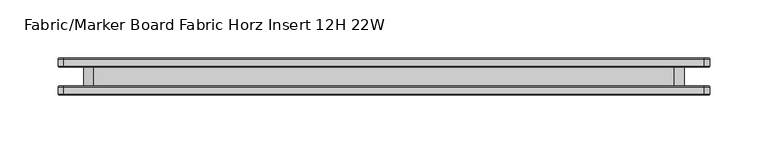
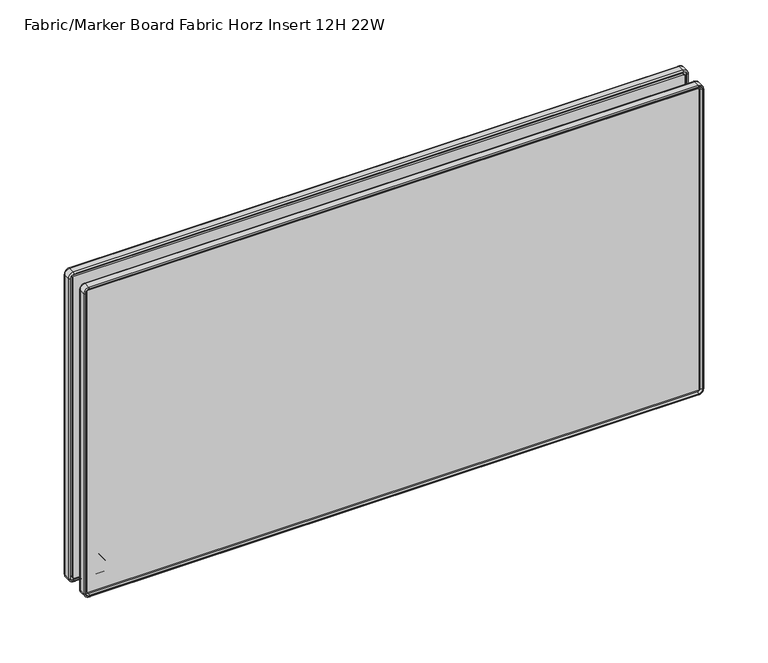
"""IFC4 building model written with IfcOpenShell, lengths in millimetres: furniture geometry, Fabric/Marker Board Fabric Horz Insert 12H 22W."""

from ifc_helpers import new_model, si_unit, point, frame, frame_2d, origin, place, context, project, spatial, polyline, circle_curve, ellipse_curve, trimmed, segment, composite_curve, outline, extrude, source, transform, mapped, element, save
from ifc_brep_helpers import plane_surface, cylinder_surface, revolved_surface, advanced_brep


def fabric_marker_board_fabric_horz_insert_12h_22w_8825d020(model_context):
    return source(origin(), model_context, "Body", "SolidModel", [
        extrude(outline(composite_curve([segment(trimmed(circle_curve(frame_2d((785.9258601, 60.6967824)), 14.2960031), [point((781.0834991, 47.2458625))], [point((772.4749402, 55.8544214))], False, "CARTESIAN"), True, "CONTINUOUS"), segment(polyline([(772.4749402, 55.8544214), (772.4749402, 553.7455786)]), True, "CONTINUOUS"), segment(trimmed(circle_curve(frame_2d((785.9258601, 548.9032176)), 14.2960031), [point((772.4749402, 553.7455786))], [point((780.5790258, 562.1616892))], False, "CARTESIAN"), True, "CONTINUOUS"), segment(polyline([(780.5790258, 562.1616892), (1019.5568063, 562.1616892)]), True, "CONTINUOUS"), segment(trimmed(circle_curve(frame_2d((1014.209972, 548.9032176)), 14.2960031), [point((1019.5568063, 562.1616892))], [point((1027.6608919, 553.7455786))], False, "CARTESIAN"), True, "CONTINUOUS"), segment(polyline([(1027.6608919, 553.7455786), (1027.6608919, 55.8544214)]), True, "CONTINUOUS"), segment(trimmed(circle_curve(frame_2d((1014.209972, 60.6967824)), 14.2960031), [point((1027.6608919, 55.8544214))], [point((1019.0523331, 47.2458625))], False, "CARTESIAN"), True, "CONTINUOUS"), segment(polyline([(1019.0523331, 47.2458625), (781.0834991, 47.2458625)]), True, "CONTINUOUS")], self_intersect=False)), frame((0.0, -7.9718968, 0.0), z_axis=(0.0, 1.0, 0.0), x_axis=(0.0, 0.0, 1.0)), (0.0, 0.0, 1.0), 15.9437935),
        extrude(outline(composite_curve([segment(trimmed(circle_curve(frame_2d((759.1475985, 29.8962491)), 0.8911416), [point((759.1475985, 29.0051075))], [point((758.256457, 29.8962491))], False, "CARTESIAN"), True, "CONTINUOUS"), segment(polyline([(758.256457, 29.8962491), (758.256457, 579.5091361)]), True, "CONTINUOUS"), segment(trimmed(circle_curve(frame_2d((759.1475985, 579.5091361)), 0.8911416), [point((758.256457, 579.5091361))], [point((759.1475985, 580.4002777))], False, "CARTESIAN"), True, "CONTINUOUS"), segment(polyline([(759.1475985, 580.4002777), (1045.010519, 580.4002777)]), True, "CONTINUOUS"), segment(trimmed(circle_curve(frame_2d((1045.010519, 579.5091361)), 0.8911416), [point((1045.010519, 580.4002777))], [point((1045.9016605, 579.5091361))], False, "CARTESIAN"), True, "CONTINUOUS"), segment(polyline([(1045.9016605, 579.5091361), (1045.9016605, 29.8962491)]), True, "CONTINUOUS"), segment(trimmed(circle_curve(frame_2d((1045.010519, 29.8962491)), 0.8911416), [point((1045.9016605, 29.8962491))], [point((1045.010519, 29.0051075))], False, "CARTESIAN"), True, "CONTINUOUS"), segment(polyline([(1045.010519, 29.0051075), (759.1475985, 29.0051075)]), True, "CONTINUOUS")], self_intersect=False)), frame((0.0, 7.9718968, 0.0), z_axis=(0.0, 1.0, 0.0), x_axis=(0.0, 0.0, 1.0)), (0.0, 0.0, 1.0), 6.1306313),
        extrude(outline(composite_curve([segment(polyline([(1045.010519, 29.0051075), (759.1475985, 29.0051075)]), True, "CONTINUOUS"), segment(trimmed(circle_curve(frame_2d((759.1475985, 29.8962491)), 0.8911416), [point((759.1475985, 29.0051075))], [point((758.256457, 29.8962491))], False, "CARTESIAN"), True, "CONTINUOUS"), segment(polyline([(758.256457, 29.8962491), (758.256457, 579.5091361)]), True, "CONTINUOUS"), segment(trimmed(circle_curve(frame_2d((759.1475985, 579.5091361)), 0.8911416), [point((758.256457, 579.5091361))], [point((759.1475985, 580.4002777))], False, "CARTESIAN"), True, "CONTINUOUS"), segment(polyline([(759.1475985, 580.4002777), (1045.010519, 580.4002777)]), True, "CONTINUOUS"), segment(trimmed(circle_curve(frame_2d((1045.010519, 579.5091361)), 0.8911416), [point((1045.010519, 580.4002777))], [point((1045.9016605, 579.5091361))], False, "CARTESIAN"), True, "CONTINUOUS"), segment(polyline([(1045.9016605, 579.5091361), (1045.9016605, 29.8962491)]), True, "CONTINUOUS"), segment(trimmed(circle_curve(frame_2d((1045.010519, 29.8962491)), 0.8911416), [point((1045.9016605, 29.8962491))], [point((1045.010519, 29.0051075))], False, "CARTESIAN"), True, "CONTINUOUS")], self_intersect=False)), frame((0.0, -14.102528, 0.0), z_axis=(0.0, 1.0, 0.0), x_axis=(0.0, 0.0, 1.0)), (0.0, 0.0, 1.0), 6.1306313),
        advanced_brep(
        [(582.9077917, -7.9718968, 759.1475985), (579.5091361, -7.9718968, 755.7489429), (579.5091361, -9.6721295, 755.7489429), (582.9077917, -9.6721295, 759.1475985), (584.0811361, -9.1452412, 759.1475985), (579.5091361, -9.1452412, 754.5755985), (584.0811361, -14.9826968, 759.1475985), (579.5091361, -14.9826968, 754.5755985), (583.2667038, -15.7971292, 759.1475985), (579.5091361, -15.7971292, 755.3900309), (580.4002777, -9.6721295, 759.1475985), (579.5091361, -9.6721295, 758.256457), (579.5091361, -14.102528, 758.256457), (580.4002777, -14.102528, 759.1475985), (582.9077917, -9.6721295, 1045.010519), (582.9077917, -7.9718968, 1045.010519), (584.0811361, -9.1452412, 1045.010519), (584.0811361, -14.9826968, 1045.010519), (583.2667038, -15.7971292, 1045.010519), (580.4002777, -14.102528, 1045.010519), (580.4002777, -9.6721295, 1045.010519), (579.5091361, -7.9718968, 1048.4091746), (579.5091361, -9.6721295, 1048.4091746), (579.5091361, -9.1452412, 1049.582519), (579.5091361, -14.9826968, 1049.582519), (579.5091361, -15.7971292, 1048.7680866), (579.5091361, -9.6721295, 1045.9016605), (579.5091361, -14.102528, 1045.9016605), (29.8962491, -9.6721295, 1048.4091746), (29.8962491, -7.9718968, 1048.4091746), (29.8962491, -9.1452412, 1049.582519), (29.8962491, -14.9826968, 1049.582519), (29.8962491, -15.7971292, 1048.7680866), (29.8962491, -14.102528, 1045.9016605), (29.8962491, -9.6721295, 1045.9016605), (26.4975935, -7.9718968, 1045.010519), (26.4975935, -9.6721295, 1045.010519), (25.3242491, -9.1452412, 1045.010519), (25.3242491, -14.9826968, 1045.010519), (26.1386815, -15.7971292, 1045.010519), (29.0051075, -9.6721295, 1045.010519), (29.0051075, -14.102528, 1045.010519), (26.4975935, -9.6721295, 759.1475985), (26.4975935, -7.9718968, 759.1475985), (25.3242491, -9.1452412, 759.1475985), (25.3242491, -14.9826968, 759.1475985), (26.1386815, -15.7971292, 759.1475985), (29.0051075, -14.102528, 759.1475985), (29.0051075, -9.6721295, 759.1475985), (29.8962491, -7.9718968, 755.7489429), (29.8962491, -9.6721295, 755.7489429), (29.8962491, -9.1452412, 754.5755985), (29.8962491, -14.9826968, 754.5755985), (29.8962491, -15.7971292, 755.3900309), (29.8962491, -9.6721295, 758.256457), (29.8962491, -14.102528, 758.256457), (579.5091361, -15.7971292, 756.2425504), (29.8962491, -15.7971292, 756.2425504), (26.991201, -15.7971292, 759.1475985), (26.991201, -15.7971292, 1045.010519), (29.8962491, -15.7971292, 1047.9155671), (579.5091361, -15.7971292, 1047.9155671), (582.4141842, -15.7971292, 1045.010519), (582.4141842, -15.7971292, 759.1475985), (581.7973998, -14.102528, 759.1475985), (579.5091361, -14.102528, 756.8593348), (581.7973998, -14.102528, 1045.010519), (579.5091361, -14.102528, 1047.2987827), (29.8962491, -14.102528, 1047.2987827), (27.6079854, -14.102528, 1045.010519), (27.6079854, -14.102528, 759.1475985), (29.8962491, -14.102528, 756.8593348)],
        [
            (0, 1, circle_curve(frame((579.5091361, -7.9718968, 759.1475985), z_axis=(0.0, 1.0, 0.0), x_axis=(0.0, 0.0, -1.0)), 3.3986556)),
            (1, 2),
            (2, 3, circle_curve(frame((579.5091361, -9.6721295, 759.1475985), z_axis=(0.0, -1.0, 0.0), x_axis=(0.0, 0.0, -1.0)), 3.3986556)),
            (3, 0),
            (4, 5, circle_curve(frame((579.5091361, -9.1452412, 759.1475985), z_axis=(0.0, 1.0, 0.0), x_axis=(0.0, 0.0, -1.0)), 4.572)),
            (5, 1, circle_curve(frame((579.5091361, -9.1452412, 755.7489429), z_axis=(1.0, 0.0, 0.0), x_axis=(0.0, 0.0, 1.0)), 1.1733444)),
            (0, 4, circle_curve(frame((582.9077917, -9.1452412, 759.1475985), z_axis=(0.0, 0.0, -1.0), x_axis=(-1.0, 0.0, 0.0)), 1.1733444)),
            (6, 7, circle_curve(frame((579.5091361, -14.9826968, 759.1475985), z_axis=(0.0, 1.0, 0.0), x_axis=(0.0, 0.0, -1.0)), 4.572)),
            (7, 5),
            (4, 6),
            (8, 9, circle_curve(frame((579.5091361, -15.7971292, 759.1475985), z_axis=(0.0, 1.0, 0.0), x_axis=(0.0, 0.0, -1.0)), 3.7575676)),
            (9, 7, circle_curve(frame((579.5091361, -14.9826968, 755.3900309), z_axis=(1.0, 0.0, 0.0), x_axis=(0.0, 0.0, 1.0)), 0.8144324)),
            (6, 8, circle_curve(frame((583.2667038, -14.9826968, 759.1475985), z_axis=(0.0, 0.0, -1.0), x_axis=(-1.0, 0.0, 0.0)), 0.8144324)),
            (10, 11, circle_curve(frame((579.5091361, -9.6721295, 759.1475985), z_axis=(0.0, 1.0, 0.0), x_axis=(0.0, 0.0, -1.0)), 0.8911416)),
            (11, 12),
            (12, 13, circle_curve(frame((579.5091361, -14.102528, 759.1475985), z_axis=(0.0, -1.0, 0.0), x_axis=(0.0, 0.0, -1.0)), 0.8911416)),
            (13, 10),
            (3, 14),
            (14, 15),
            (15, 0),
            (15, 16, circle_curve(frame((582.9077917, -9.1452412, 1045.010519), z_axis=(0.0, 0.0, -1.0), x_axis=(-1.0, 0.0, 0.0)), 1.1733444)),
            (16, 4),
            (16, 17),
            (17, 6),
            (17, 18, circle_curve(frame((583.2667038, -14.9826968, 1045.010519), z_axis=(0.0, 0.0, -1.0), x_axis=(-1.0, 0.0, 0.0)), 0.8144324)),
            (18, 8),
            (13, 19),
            (19, 20),
            (20, 10),
            (21, 15, circle_curve(frame((579.5091361, -7.9718968, 1045.010519), z_axis=(0.0, 1.0, 0.0), x_axis=(1.0, 0.0, 0.0)), 3.3986556)),
            (14, 22, circle_curve(frame((579.5091361, -9.6721295, 1045.010519), z_axis=(0.0, -1.0, 0.0), x_axis=(1.0, 0.0, 0.0)), 3.3986556)),
            (22, 21),
            (23, 16, circle_curve(frame((579.5091361, -9.1452412, 1045.010519), z_axis=(0.0, 1.0, 0.0), x_axis=(1.0, 0.0, 0.0)), 4.572)),
            (21, 23, circle_curve(frame((579.5091361, -9.1452412, 1048.4091746), z_axis=(1.0, 0.0, 0.0), x_axis=(0.0, 0.0, -1.0)), 1.1733444)),
            (24, 17, circle_curve(frame((579.5091361, -14.9826968, 1045.010519), z_axis=(0.0, 1.0, 0.0), x_axis=(1.0, 0.0, 0.0)), 4.572)),
            (23, 24),
            (25, 18, circle_curve(frame((579.5091361, -15.7971292, 1045.010519), z_axis=(0.0, 1.0, 0.0), x_axis=(1.0, 0.0, 0.0)), 3.7575676)),
            (24, 25, circle_curve(frame((579.5091361, -14.9826968, 1048.7680866), z_axis=(1.0, 0.0, 0.0), x_axis=(0.0, 0.0, -1.0)), 0.8144324)),
            (26, 20, circle_curve(frame((579.5091361, -9.6721295, 1045.010519), z_axis=(0.0, 1.0, 0.0), x_axis=(1.0, 0.0, 0.0)), 0.8911416)),
            (19, 27, circle_curve(frame((579.5091361, -14.102528, 1045.010519), z_axis=(0.0, -1.0, 0.0), x_axis=(1.0, 0.0, 0.0)), 0.8911416)),
            (27, 26),
            (22, 28),
            (28, 29),
            (29, 21),
            (29, 30, circle_curve(frame((29.8962491, -9.1452412, 1048.4091746), z_axis=(1.0, 0.0, 0.0), x_axis=(0.0, 0.0, -1.0)), 1.1733444)),
            (30, 23),
            (30, 31),
            (31, 24),
            (31, 32, circle_curve(frame((29.8962491, -14.9826968, 1048.7680866), z_axis=(1.0, 0.0, 0.0), x_axis=(0.0, 0.0, -1.0)), 0.8144324)),
            (32, 25),
            (27, 33),
            (33, 34),
            (34, 26),
            (35, 29, circle_curve(frame((29.8962491, -7.9718968, 1045.010519), z_axis=(0.0, 1.0, 0.0), x_axis=(0.0, 0.0, 1.0)), 3.3986556)),
            (28, 36, circle_curve(frame((29.8962491, -9.6721295, 1045.010519), z_axis=(0.0, -1.0, 0.0), x_axis=(0.0, 0.0, 1.0)), 3.3986556)),
            (36, 35),
            (37, 30, circle_curve(frame((29.8962491, -9.1452412, 1045.010519), z_axis=(0.0, 1.0, 0.0), x_axis=(0.0, 0.0, 1.0)), 4.572)),
            (35, 37, circle_curve(frame((26.4975935, -9.1452412, 1045.010519), z_axis=(0.0, 0.0, 1.0), x_axis=(1.0, 0.0, 0.0)), 1.1733444)),
            (38, 31, circle_curve(frame((29.8962491, -14.9826968, 1045.010519), z_axis=(0.0, 1.0, 0.0), x_axis=(0.0, 0.0, 1.0)), 4.572)),
            (37, 38),
            (39, 32, circle_curve(frame((29.8962491, -15.7971292, 1045.010519), z_axis=(0.0, 1.0, 0.0), x_axis=(0.0, 0.0, 1.0)), 3.7575676)),
            (38, 39, circle_curve(frame((26.1386815, -14.9826968, 1045.010519), z_axis=(0.0, 0.0, 1.0), x_axis=(1.0, 0.0, 0.0)), 0.8144324)),
            (40, 34, circle_curve(frame((29.8962491, -9.6721295, 1045.010519), z_axis=(0.0, 1.0, 0.0), x_axis=(0.0, 0.0, 1.0)), 0.8911416)),
            (33, 41, circle_curve(frame((29.8962491, -14.102528, 1045.010519), z_axis=(0.0, -1.0, 0.0), x_axis=(0.0, 0.0, 1.0)), 0.8911416)),
            (41, 40),
            (36, 42),
            (42, 43),
            (43, 35),
            (43, 44, circle_curve(frame((26.4975935, -9.1452412, 759.1475985), z_axis=(0.0, 0.0, 1.0), x_axis=(1.0, 0.0, 0.0)), 1.1733444)),
            (44, 37),
            (44, 45),
            (45, 38),
            (45, 46, circle_curve(frame((26.1386815, -14.9826968, 759.1475985), z_axis=(0.0, 0.0, 1.0), x_axis=(1.0, 0.0, 0.0)), 0.8144324)),
            (46, 39),
            (41, 47),
            (47, 48),
            (48, 40),
            (49, 43, circle_curve(frame((29.8962491, -7.9718968, 759.1475985), z_axis=(0.0, 1.0, 0.0), x_axis=(-1.0, 0.0, 0.0)), 3.3986556)),
            (42, 50, circle_curve(frame((29.8962491, -9.6721295, 759.1475985), z_axis=(0.0, -1.0, 0.0), x_axis=(-1.0, 0.0, 0.0)), 3.3986556)),
            (50, 49),
            (51, 44, circle_curve(frame((29.8962491, -9.1452412, 759.1475985), z_axis=(0.0, 1.0, 0.0), x_axis=(-1.0, 0.0, 0.0)), 4.572)),
            (49, 51, circle_curve(frame((29.8962491, -9.1452412, 755.7489429), z_axis=(-1.0, 0.0, 0.0), x_axis=(0.0, 0.0, 1.0)), 1.1733444)),
            (52, 45, circle_curve(frame((29.8962491, -14.9826968, 759.1475985), z_axis=(0.0, 1.0, 0.0), x_axis=(-1.0, 0.0, 0.0)), 4.572)),
            (51, 52),
            (53, 46, circle_curve(frame((29.8962491, -15.7971292, 759.1475985), z_axis=(0.0, 1.0, 0.0), x_axis=(-1.0, 0.0, 0.0)), 3.7575676)),
            (52, 53, circle_curve(frame((29.8962491, -14.9826968, 755.3900309), z_axis=(-1.0, 0.0, 0.0), x_axis=(0.0, 0.0, 1.0)), 0.8144324)),
            (54, 48, circle_curve(frame((29.8962491, -9.6721295, 759.1475985), z_axis=(0.0, 1.0, 0.0), x_axis=(-1.0, 0.0, 0.0)), 0.8911416)),
            (47, 55, circle_curve(frame((29.8962491, -14.102528, 759.1475985), z_axis=(0.0, -1.0, 0.0), x_axis=(-1.0, 0.0, 0.0)), 0.8911416)),
            (55, 54),
            (2, 50),
            (54, 11),
            (1, 49),
            (5, 51),
            (7, 52),
            (9, 53),
            (56, 57),
            (57, 58, circle_curve(frame((29.8962491, -15.7971292, 759.1475985), z_axis=(0.0, 1.0, 0.0), x_axis=(-1.0, 0.0, 0.0)), 2.9050481)),
            (58, 59),
            (59, 60, circle_curve(frame((29.8962491, -15.7971292, 1045.010519), z_axis=(0.0, 1.0, 0.0), x_axis=(0.0, 0.0, 1.0)), 2.9050481)),
            (60, 61),
            (61, 62, circle_curve(frame((579.5091361, -15.7971292, 1045.010519), z_axis=(0.0, 1.0, 0.0), x_axis=(1.0, 0.0, 0.0)), 2.9050481)),
            (62, 63),
            (63, 56, circle_curve(frame((579.5091361, -15.7971292, 759.1475985), z_axis=(0.0, 1.0, 0.0), x_axis=(0.0, 0.0, -1.0)), 2.9050481)),
            (55, 12),
            (64, 65, circle_curve(frame((579.5091361, -14.102528, 759.1475985), z_axis=(0.0, 1.0, 0.0), x_axis=(0.0, 0.0, -1.0)), 2.2882637)),
            (65, 56),
            (63, 64),
            (62, 66),
            (66, 64),
            (67, 66, circle_curve(frame((579.5091361, -14.102528, 1045.010519), z_axis=(0.0, 1.0, 0.0), x_axis=(1.0, 0.0, 0.0)), 2.2882637)),
            (61, 67),
            (60, 68),
            (68, 67),
            (69, 68, circle_curve(frame((29.8962491, -14.102528, 1045.010519), z_axis=(0.0, 1.0, 0.0), x_axis=(0.0, 0.0, 1.0)), 2.2882637)),
            (59, 69),
            (58, 70),
            (70, 69),
            (71, 70, circle_curve(frame((29.8962491, -14.102528, 759.1475985), z_axis=(0.0, 1.0, 0.0), x_axis=(-1.0, 0.0, 0.0)), 2.2882637)),
            (57, 71),
            (65, 71),
        ],
        [
            revolved_surface(polyline([(579.5091361, -9.6721295, 755.7489429), (579.5091361, -7.9718968, 755.7489429)]), (579.5091361, 0.0, 759.1475985), (0.0, -1.0, 0.0)),
            revolved_surface(trimmed(ellipse_curve(frame((579.5091361, -9.1452412, 755.7489429), z_axis=(-1.0, 0.0, 0.0), x_axis=(0.0, 0.0, 1.0)), 1.1733444, 1.1733444), [point((579.5091361, -7.9718968, 755.7489429))], [point((579.5091361, -9.1452412, 754.5755985))], True, "CARTESIAN"), (579.5091361, 0.0, 759.1475985), (0.0, -1.0, 0.0)),
            cylinder_surface(frame((579.5091361, 0.0, 759.1475985), z_axis=(0.0, -1.0, 0.0), x_axis=(0.0, 0.0, -1.0)), 4.572),
            revolved_surface(trimmed(ellipse_curve(frame((579.5091361, -14.9826968, 755.3900309), z_axis=(-1.0, 0.0, 0.0), x_axis=(0.0, 0.0, 1.0)), 0.8144324, 0.8144324), [point((579.5091361, -14.9826968, 754.5755985))], [point((579.5091361, -15.7971292, 755.3900309))], True, "CARTESIAN"), (579.5091361, 0.0, 759.1475985), (0.0, -1.0, 0.0)),
            revolved_surface(polyline([(579.5091361, -14.102528, 758.2564569), (579.5091361, -9.6721295, 758.2564569)]), (579.5091361, 0.0, 759.1475985), (0.0, -1.0, 0.0)),
            plane_surface(frame((582.9077917, -9.6721295, 759.1475985), z_axis=(-1.0, 0.0, 0.0), x_axis=(0.0, 0.0, 1.0))),
            cylinder_surface(frame((582.9077917, -9.1452412, 759.1475985), z_axis=(0.0, 0.0, -1.0), x_axis=(-1.0, 0.0, 0.0)), 1.1733444),
            plane_surface(frame((584.0811361, -9.1452412, 759.1475985), z_axis=(1.0, 0.0, 0.0), x_axis=(0.0, 0.0, 1.0))),
            cylinder_surface(frame((583.2667038, -14.9826968, 759.1475985), z_axis=(0.0, 0.0, -1.0), x_axis=(-1.0, 0.0, 0.0)), 0.8144324),
            plane_surface(frame((580.4002777, -14.102528, 759.1475985), z_axis=(-1.0, 0.0, 0.0), x_axis=(0.0, 0.0, 1.0))),
            revolved_surface(polyline([(582.9077917, -9.6721295, 1045.010519), (582.9077917, -7.9718968, 1045.010519)]), (579.5091361, 0.0, 1045.010519), (0.0, -1.0, 0.0)),
            revolved_surface(trimmed(ellipse_curve(frame((582.9077917, -9.1452412, 1045.010519), z_axis=(0.0, 0.0, -1.0), x_axis=(-1.0, 0.0, 0.0)), 1.1733444, 1.1733444), [point((582.9077917, -7.9718968, 1045.010519))], [point((584.0811361, -9.1452412, 1045.010519))], True, "CARTESIAN"), (579.5091361, 0.0, 1045.010519), (0.0, -1.0, 0.0)),
            cylinder_surface(frame((579.5091361, 0.0, 1045.010519), z_axis=(0.0, -1.0, 0.0), x_axis=(1.0, 0.0, 0.0)), 4.572),
            revolved_surface(trimmed(ellipse_curve(frame((583.2667038, -14.9826968, 1045.010519), z_axis=(0.0, 0.0, -1.0), x_axis=(-1.0, 0.0, 0.0)), 0.8144324, 0.8144324), [point((584.0811361, -14.9826968, 1045.010519))], [point((583.2667038, -15.7971292, 1045.010519))], True, "CARTESIAN"), (579.5091361, 0.0, 1045.010519), (0.0, -1.0, 0.0)),
            revolved_surface(polyline([(580.4002777, -14.102528, 1045.010519), (580.4002777, -9.6721295, 1045.010519)]), (579.5091361, 0.0, 1045.010519), (0.0, -1.0, 0.0)),
            plane_surface(frame((579.5091361, -9.6721295, 1048.4091746), z_axis=(0.0, 0.0, -1.0), x_axis=(-1.0, 0.0, 0.0))),
            cylinder_surface(frame((579.5091361, -9.1452412, 1048.4091746), z_axis=(1.0, 0.0, 0.0), x_axis=(0.0, 0.0, -1.0)), 1.1733444),
            plane_surface(frame((579.5091361, -9.1452412, 1049.582519), z_axis=(0.0, 0.0, 1.0), x_axis=(-1.0, 0.0, 0.0))),
            cylinder_surface(frame((579.5091361, -14.9826968, 1048.7680866), z_axis=(1.0, 0.0, 0.0), x_axis=(0.0, 0.0, -1.0)), 0.8144324),
            plane_surface(frame((579.5091361, -14.102528, 1045.9016605), z_axis=(0.0, 0.0, -1.0), x_axis=(-1.0, 0.0, 0.0))),
            revolved_surface(polyline([(29.8962491, -9.6721295, 1048.4091746), (29.8962491, -7.9718968, 1048.4091746)]), (29.8962491, 0.0, 1045.010519), (0.0, -1.0, 0.0)),
            revolved_surface(trimmed(ellipse_curve(frame((29.8962491, -9.1452412, 1048.4091746), z_axis=(1.0, 0.0, 0.0), x_axis=(0.0, 0.0, -1.0)), 1.1733444, 1.1733444), [point((29.8962491, -7.9718968, 1048.4091746))], [point((29.8962491, -9.1452412, 1049.582519))], True, "CARTESIAN"), (29.8962491, 0.0, 1045.010519), (0.0, -1.0, 0.0)),
            cylinder_surface(frame((29.8962491, 0.0, 1045.010519), z_axis=(0.0, -1.0, 0.0), x_axis=(0.0, 0.0, 1.0)), 4.572),
            revolved_surface(trimmed(ellipse_curve(frame((29.8962491, -14.9826968, 1048.7680866), z_axis=(1.0, 0.0, 0.0), x_axis=(0.0, 0.0, -1.0)), 0.8144324, 0.8144324), [point((29.8962491, -14.9826968, 1049.582519))], [point((29.8962491, -15.7971292, 1048.7680866))], True, "CARTESIAN"), (29.8962491, 0.0, 1045.010519), (0.0, -1.0, 0.0)),
            revolved_surface(polyline([(29.8962491, -14.102528, 1045.9016606), (29.8962491, -9.6721295, 1045.9016606)]), (29.8962491, 0.0, 1045.010519), (0.0, -1.0, 0.0)),
            plane_surface(frame((26.4975935, -9.6721295, 1045.010519), z_axis=(1.0, 0.0, 0.0), x_axis=(0.0, 0.0, -1.0))),
            cylinder_surface(frame((26.4975935, -9.1452412, 1045.010519), z_axis=(0.0, 0.0, 1.0), x_axis=(1.0, 0.0, 0.0)), 1.1733444),
            plane_surface(frame((25.3242491, -9.1452412, 1045.010519), z_axis=(-1.0, 0.0, 0.0), x_axis=(0.0, 0.0, -1.0))),
            cylinder_surface(frame((26.1386815, -14.9826968, 1045.010519), z_axis=(0.0, 0.0, 1.0), x_axis=(1.0, 0.0, 0.0)), 0.8144324),
            plane_surface(frame((29.0051075, -14.102528, 1045.010519), z_axis=(1.0, 0.0, 0.0), x_axis=(0.0, 0.0, -1.0))),
            revolved_surface(polyline([(26.497593499999997, -9.6721295, 759.1475985), (26.497593499999997, -7.9718968, 759.1475985)]), (29.8962491, 0.0, 759.1475985), (0.0, -1.0, 0.0)),
            revolved_surface(trimmed(ellipse_curve(frame((26.4975935, -9.1452412, 759.1475985), z_axis=(0.0, 0.0, 1.0), x_axis=(1.0, 0.0, 0.0)), 1.1733444, 1.1733444), [point((26.4975935, -7.9718968, 759.1475985))], [point((25.3242491, -9.1452412, 759.1475985))], True, "CARTESIAN"), (29.8962491, 0.0, 759.1475985), (0.0, -1.0, 0.0)),
            cylinder_surface(frame((29.8962491, 0.0, 759.1475985), z_axis=(0.0, -1.0, 0.0), x_axis=(-1.0, 0.0, 0.0)), 4.572),
            revolved_surface(trimmed(ellipse_curve(frame((26.1386815, -14.9826968, 759.1475985), z_axis=(0.0, 0.0, 1.0), x_axis=(1.0, 0.0, 0.0)), 0.8144324, 0.8144324), [point((25.3242491, -14.9826968, 759.1475985))], [point((26.1386815, -15.7971292, 759.1475985))], True, "CARTESIAN"), (29.8962491, 0.0, 759.1475985), (0.0, -1.0, 0.0)),
            revolved_surface(polyline([(29.005107499999998, -14.102528, 759.1475985), (29.005107499999998, -9.6721295, 759.1475985)]), (29.8962491, 0.0, 759.1475985), (0.0, -1.0, 0.0)),
            plane_surface(frame((29.8962491, -9.6721295, 758.256457), z_axis=(0.0, 1.0, 0.0), x_axis=(1.0, 0.0, 0.0))),
            plane_surface(frame((29.8962491, -9.6721295, 755.7489429), z_axis=(0.0, 0.0, 1.0), x_axis=(1.0, 0.0, 0.0))),
            cylinder_surface(frame((29.8962491, -9.1452412, 755.7489429), z_axis=(-1.0, 0.0, 0.0), x_axis=(0.0, 0.0, 1.0)), 1.1733444),
            plane_surface(frame((29.8962491, -9.1452412, 754.5755985), z_axis=(0.0, 0.0, -1.0), x_axis=(1.0, 0.0, 0.0))),
            cylinder_surface(frame((29.8962491, -14.9826968, 755.3900309), z_axis=(-1.0, 0.0, 0.0), x_axis=(0.0, 0.0, 1.0)), 0.8144324),
            plane_surface(frame((29.8962491, -15.7971292, 755.3900309), z_axis=(0.0, -1.0, 0.0), x_axis=(1.0, 0.0, 0.0))),
            plane_surface(frame((29.8962491, -14.102528, 758.256457), z_axis=(0.0, 0.0, 1.0), x_axis=(1.0, 0.0, 0.0))),
            revolved_surface(polyline([(579.5091361, -15.7971292, 756.2425504), (579.5091361, -14.102528, 756.8593348)]), (579.5091361, 0.0, 759.1475985), (0.0, -1.0, 0.0)),
            plane_surface(frame((582.4141842, -15.7971292, 759.1475985), z_axis=(-0.9396926207859183, -0.34202014332564146, 0.0), x_axis=(0.0, 0.0, 1.0))),
            revolved_surface(polyline([(582.4141842, -15.7971292, 1045.010519), (581.7973998, -14.102528, 1045.010519)]), (579.5091361, 0.0, 1045.010519), (0.0, -1.0, 0.0)),
            plane_surface(frame((579.5091361, -15.7971292, 1047.9155671), z_axis=(0.0, -0.34202014332564146, -0.9396926207859183), x_axis=(-1.0, 0.0, 0.0))),
            revolved_surface(polyline([(29.8962491, -15.7971292, 1047.9155671), (29.8962491, -14.102528, 1047.2987827)]), (29.8962491, 0.0, 1045.010519), (0.0, -1.0, 0.0)),
            plane_surface(frame((26.991201, -15.7971292, 1045.010519), z_axis=(0.9396926207859183, -0.34202014332564146, 0.0), x_axis=(0.0, 0.0, -1.0))),
            revolved_surface(polyline([(26.991201, -15.7971292, 759.1475985), (27.6079854, -14.102528, 759.1475985)]), (29.8962491, 0.0, 759.1475985), (0.0, -1.0, 0.0)),
            plane_surface(frame((29.8962491, -15.7971292, 756.2425504), z_axis=(0.0, -0.34202014332564146, 0.9396926207859183), x_axis=(1.0, 0.0, 0.0))),
            plane_surface(frame((29.8962491, -14.102528, 756.8593348), z_axis=(0.0, -1.0, 0.0), x_axis=(1.0, 0.0, 0.0))),
        ],
        [
            (0, [[1, 2, 3, 4]]),
            (1, [[5, 6, -1, 7]]),
            (2, [[8, 9, -5, 10]]),
            (3, [[11, 12, -8, 13]]),
            (4, [[14, 15, 16, 17]]),
            (5, [[-4, 18, 19, 20]]),
            (6, [[-7, -20, 21, 22]]),
            (7, [[-10, -22, 23, 24]]),
            (8, [[-13, -24, 25, 26]]),
            (9, [[-17, 27, 28, 29]]),
            (10, [[30, -19, 31, 32]]),
            (11, [[33, -21, -30, 34]]),
            (12, [[35, -23, -33, 36]]),
            (13, [[37, -25, -35, 38]]),
            (14, [[39, -28, 40, 41]]),
            (15, [[-32, 42, 43, 44]]),
            (16, [[-34, -44, 45, 46]]),
            (17, [[-36, -46, 47, 48]]),
            (18, [[-38, -48, 49, 50]]),
            (19, [[-41, 51, 52, 53]]),
            (20, [[54, -43, 55, 56]]),
            (21, [[57, -45, -54, 58]]),
            (22, [[59, -47, -57, 60]]),
            (23, [[61, -49, -59, 62]]),
            (24, [[63, -52, 64, 65]]),
            (25, [[-56, 66, 67, 68]]),
            (26, [[-58, -68, 69, 70]]),
            (27, [[-60, -70, 71, 72]]),
            (28, [[-62, -72, 73, 74]]),
            (29, [[-65, 75, 76, 77]]),
            (30, [[78, -67, 79, 80]]),
            (31, [[81, -69, -78, 82]]),
            (32, [[83, -71, -81, 84]]),
            (33, [[85, -73, -83, 86]]),
            (34, [[87, -76, 88, 89]]),
            (35, [[90, -79, -66, -55, -42, -31, -18, -3], [-77, -87, 91, -14, -29, -39, -53, -63]]),
            (36, [[-80, -90, -2, 92]]),
            (37, [[-82, -92, -6, 93]]),
            (38, [[-84, -93, -9, 94]]),
            (39, [[-86, -94, -12, 95]]),
            (40, [[-74, -85, -95, -11, -26, -37, -50, -61], [96, 97, 98, 99, 100, 101, 102, 103]]),
            (41, [[-89, 104, -15, -91]]),
            (42, [[105, 106, -103, 107]]),
            (43, [[-107, -102, 108, 109]]),
            (44, [[110, -108, -101, 111]]),
            (45, [[-111, -100, 112, 113]]),
            (46, [[114, -112, -99, 115]]),
            (47, [[-115, -98, 116, 117]]),
            (48, [[118, -116, -97, 119]]),
            (49, [[-119, -96, -106, 120]]),
            (50, [[-117, -118, -120, -105, -109, -110, -113, -114], [-104, -88, -75, -64, -51, -40, -27, -16]]),
        ],
    ),
        advanced_brep(
        [(580.4002777, 14.102528, 759.1475985), (579.5091361, 14.102528, 758.256457), (579.5091361, 9.6721295, 758.256457), (580.4002777, 9.6721295, 759.1475985), (582.4141842, 15.7971292, 759.1475985), (579.5091361, 15.7971292, 756.2425504), (579.5091361, 14.102528, 756.8593348), (581.7973998, 14.102528, 759.1475985), (584.0811361, 14.9826968, 759.1475985), (579.5091361, 14.9826968, 754.5755985), (579.5091361, 15.7971292, 755.3900309), (583.2667038, 15.7971292, 759.1475985), (584.0811361, 9.1452412, 759.1475985), (579.5091361, 9.1452412, 754.5755985), (582.9077917, 7.9718968, 759.1475985), (579.5091361, 7.9718968, 755.7489429), (582.9077917, 9.6721295, 759.1475985), (579.5091361, 9.6721295, 755.7489429), (580.4002777, 9.6721295, 1045.010519), (580.4002777, 14.102528, 1045.010519), (581.7973998, 14.102528, 1045.010519), (582.4141842, 15.7971292, 1045.010519), (583.2667038, 15.7971292, 1045.010519), (584.0811361, 14.9826968, 1045.010519), (584.0811361, 9.1452412, 1045.010519), (582.9077917, 7.9718968, 1045.010519), (582.9077917, 9.6721295, 1045.010519), (579.5091361, 14.102528, 1045.9016605), (579.5091361, 9.6721295, 1045.9016605), (579.5091361, 15.7971292, 1047.9155671), (579.5091361, 14.102528, 1047.2987827), (579.5091361, 14.9826968, 1049.582519), (579.5091361, 15.7971292, 1048.7680866), (579.5091361, 9.1452412, 1049.582519), (579.5091361, 7.9718968, 1048.4091746), (579.5091361, 9.6721295, 1048.4091746), (29.8962491, 9.6721295, 1045.9016605), (29.8962491, 14.102528, 1045.9016605), (29.8962491, 14.102528, 1047.2987827), (29.8962491, 15.7971292, 1047.9155671), (29.8962491, 15.7971292, 1048.7680866), (29.8962491, 14.9826968, 1049.582519), (29.8962491, 9.1452412, 1049.582519), (29.8962491, 7.9718968, 1048.4091746), (29.8962491, 9.6721295, 1048.4091746), (29.0051075, 14.102528, 1045.010519), (29.0051075, 9.6721295, 1045.010519), (26.991201, 15.7971292, 1045.010519), (27.6079854, 14.102528, 1045.010519), (25.3242491, 14.9826968, 1045.010519), (26.1386815, 15.7971292, 1045.010519), (25.3242491, 9.1452412, 1045.010519), (26.4975935, 7.9718968, 1045.010519), (26.4975935, 9.6721295, 1045.010519), (29.0051075, 9.6721295, 759.1475985), (29.0051075, 14.102528, 759.1475985), (27.6079854, 14.102528, 759.1475985), (26.991201, 15.7971292, 759.1475985), (26.1386815, 15.7971292, 759.1475985), (25.3242491, 14.9826968, 759.1475985), (25.3242491, 9.1452412, 759.1475985), (26.4975935, 7.9718968, 759.1475985), (26.4975935, 9.6721295, 759.1475985), (29.8962491, 14.102528, 758.256457), (29.8962491, 9.6721295, 758.256457), (29.8962491, 15.7971292, 756.2425504), (29.8962491, 14.102528, 756.8593348), (29.8962491, 14.9826968, 754.5755985), (29.8962491, 15.7971292, 755.3900309), (29.8962491, 9.1452412, 754.5755985), (29.8962491, 7.9718968, 755.7489429), (29.8962491, 9.6721295, 755.7489429)],
        [
            (0, 1, circle_curve(frame((579.5091361, 14.102528, 759.1475985), z_axis=(0.0, 1.0, 0.0), x_axis=(0.0, 0.0, -1.0)), 0.8911416)),
            (1, 2),
            (2, 3, circle_curve(frame((579.5091361, 9.6721295, 759.1475985), z_axis=(0.0, -1.0, 0.0), x_axis=(0.0, 0.0, -1.0)), 0.8911416)),
            (3, 0),
            (4, 5, circle_curve(frame((579.5091361, 15.7971292, 759.1475985), z_axis=(0.0, 1.0, 0.0), x_axis=(0.0, 0.0, -1.0)), 2.9050481)),
            (5, 6),
            (6, 7, circle_curve(frame((579.5091361, 14.102528, 759.1475985), z_axis=(0.0, -1.0, 0.0), x_axis=(0.0, 0.0, -1.0)), 2.2882637)),
            (7, 4),
            (8, 9, circle_curve(frame((579.5091361, 14.9826968, 759.1475985), z_axis=(0.0, 1.0, 0.0), x_axis=(0.0, 0.0, -1.0)), 4.572)),
            (9, 10, circle_curve(frame((579.5091361, 14.9826968, 755.3900309), z_axis=(1.0, 0.0, 0.0), x_axis=(0.0, 0.0, 1.0)), 0.8144324)),
            (10, 11, circle_curve(frame((579.5091361, 15.7971292, 759.1475985), z_axis=(0.0, -1.0, 0.0), x_axis=(0.0, 0.0, -1.0)), 3.7575676)),
            (11, 8, circle_curve(frame((583.2667038, 14.9826968, 759.1475985), z_axis=(0.0, 0.0, -1.0), x_axis=(-1.0, 0.0, 0.0)), 0.8144324)),
            (12, 13, circle_curve(frame((579.5091361, 9.1452412, 759.1475985), z_axis=(0.0, 1.0, 0.0), x_axis=(0.0, 0.0, -1.0)), 4.572)),
            (13, 9),
            (8, 12),
            (14, 15, circle_curve(frame((579.5091361, 7.9718968, 759.1475985), z_axis=(0.0, 1.0, 0.0), x_axis=(0.0, 0.0, -1.0)), 3.3986556)),
            (15, 13, circle_curve(frame((579.5091361, 9.1452412, 755.7489429), z_axis=(1.0, 0.0, 0.0), x_axis=(0.0, 0.0, 1.0)), 1.1733444)),
            (12, 14, circle_curve(frame((582.9077917, 9.1452412, 759.1475985), z_axis=(0.0, 0.0, -1.0), x_axis=(-1.0, 0.0, 0.0)), 1.1733444)),
            (16, 17, circle_curve(frame((579.5091361, 9.6721295, 759.1475985), z_axis=(0.0, 1.0, 0.0), x_axis=(0.0, 0.0, -1.0)), 3.3986556)),
            (17, 15),
            (14, 16),
            (3, 18),
            (18, 19),
            (19, 0),
            (7, 20),
            (20, 21),
            (21, 4),
            (11, 22),
            (22, 23, circle_curve(frame((583.2667038, 14.9826968, 1045.010519), z_axis=(0.0, 0.0, -1.0), x_axis=(-1.0, 0.0, 0.0)), 0.8144324)),
            (23, 8),
            (23, 24),
            (24, 12),
            (24, 25, circle_curve(frame((582.9077917, 9.1452412, 1045.010519), z_axis=(0.0, 0.0, -1.0), x_axis=(-1.0, 0.0, 0.0)), 1.1733444)),
            (25, 14),
            (25, 26),
            (26, 16),
            (27, 19, circle_curve(frame((579.5091361, 14.102528, 1045.010519), z_axis=(0.0, 1.0, 0.0), x_axis=(1.0, 0.0, 0.0)), 0.8911416)),
            (18, 28, circle_curve(frame((579.5091361, 9.6721295, 1045.010519), z_axis=(0.0, -1.0, 0.0), x_axis=(1.0, 0.0, 0.0)), 0.8911416)),
            (28, 27),
            (29, 21, circle_curve(frame((579.5091361, 15.7971292, 1045.010519), z_axis=(0.0, 1.0, 0.0), x_axis=(1.0, 0.0, 0.0)), 2.9050481)),
            (20, 30, circle_curve(frame((579.5091361, 14.102528, 1045.010519), z_axis=(0.0, -1.0, 0.0), x_axis=(1.0, 0.0, 0.0)), 2.2882637)),
            (30, 29),
            (31, 23, circle_curve(frame((579.5091361, 14.9826968, 1045.010519), z_axis=(0.0, 1.0, 0.0), x_axis=(1.0, 0.0, 0.0)), 4.572)),
            (22, 32, circle_curve(frame((579.5091361, 15.7971292, 1045.010519), z_axis=(0.0, -1.0, 0.0), x_axis=(1.0, 0.0, 0.0)), 3.7575676)),
            (32, 31, circle_curve(frame((579.5091361, 14.9826968, 1048.7680866), z_axis=(1.0, 0.0, 0.0), x_axis=(0.0, 0.0, -1.0)), 0.8144324)),
            (33, 24, circle_curve(frame((579.5091361, 9.1452412, 1045.010519), z_axis=(0.0, 1.0, 0.0), x_axis=(1.0, 0.0, 0.0)), 4.572)),
            (31, 33),
            (34, 25, circle_curve(frame((579.5091361, 7.9718968, 1045.010519), z_axis=(0.0, 1.0, 0.0), x_axis=(1.0, 0.0, 0.0)), 3.3986556)),
            (33, 34, circle_curve(frame((579.5091361, 9.1452412, 1048.4091746), z_axis=(1.0, 0.0, 0.0), x_axis=(0.0, 0.0, -1.0)), 1.1733444)),
            (35, 26, circle_curve(frame((579.5091361, 9.6721295, 1045.010519), z_axis=(0.0, 1.0, 0.0), x_axis=(1.0, 0.0, 0.0)), 3.3986556)),
            (34, 35),
            (28, 36),
            (36, 37),
            (37, 27),
            (30, 38),
            (38, 39),
            (39, 29),
            (32, 40),
            (40, 41, circle_curve(frame((29.8962491, 14.9826968, 1048.7680866), z_axis=(1.0, 0.0, 0.0), x_axis=(0.0, 0.0, -1.0)), 0.8144324)),
            (41, 31),
            (41, 42),
            (42, 33),
            (42, 43, circle_curve(frame((29.8962491, 9.1452412, 1048.4091746), z_axis=(1.0, 0.0, 0.0), x_axis=(0.0, 0.0, -1.0)), 1.1733444)),
            (43, 34),
            (43, 44),
            (44, 35),
            (45, 37, circle_curve(frame((29.8962491, 14.102528, 1045.010519), z_axis=(0.0, 1.0, 0.0), x_axis=(0.0, 0.0, 1.0)), 0.8911416)),
            (36, 46, circle_curve(frame((29.8962491, 9.6721295, 1045.010519), z_axis=(0.0, -1.0, 0.0), x_axis=(0.0, 0.0, 1.0)), 0.8911416)),
            (46, 45),
            (47, 39, circle_curve(frame((29.8962491, 15.7971292, 1045.010519), z_axis=(0.0, 1.0, 0.0), x_axis=(0.0, 0.0, 1.0)), 2.9050481)),
            (38, 48, circle_curve(frame((29.8962491, 14.102528, 1045.010519), z_axis=(0.0, -1.0, 0.0), x_axis=(0.0, 0.0, 1.0)), 2.2882637)),
            (48, 47),
            (49, 41, circle_curve(frame((29.8962491, 14.9826968, 1045.010519), z_axis=(0.0, 1.0, 0.0), x_axis=(0.0, 0.0, 1.0)), 4.572)),
            (40, 50, circle_curve(frame((29.8962491, 15.7971292, 1045.010519), z_axis=(0.0, -1.0, 0.0), x_axis=(0.0, 0.0, 1.0)), 3.7575676)),
            (50, 49, circle_curve(frame((26.1386815, 14.9826968, 1045.010519), z_axis=(0.0, 0.0, 1.0), x_axis=(1.0, 0.0, 0.0)), 0.8144324)),
            (51, 42, circle_curve(frame((29.8962491, 9.1452412, 1045.010519), z_axis=(0.0, 1.0, 0.0), x_axis=(0.0, 0.0, 1.0)), 4.572)),
            (49, 51),
            (52, 43, circle_curve(frame((29.8962491, 7.9718968, 1045.010519), z_axis=(0.0, 1.0, 0.0), x_axis=(0.0, 0.0, 1.0)), 3.3986556)),
            (51, 52, circle_curve(frame((26.4975935, 9.1452412, 1045.010519), z_axis=(0.0, 0.0, 1.0), x_axis=(1.0, 0.0, 0.0)), 1.1733444)),
            (53, 44, circle_curve(frame((29.8962491, 9.6721295, 1045.010519), z_axis=(0.0, 1.0, 0.0), x_axis=(0.0, 0.0, 1.0)), 3.3986556)),
            (52, 53),
            (46, 54),
            (54, 55),
            (55, 45),
            (48, 56),
            (56, 57),
            (57, 47),
            (50, 58),
            (58, 59, circle_curve(frame((26.1386815, 14.9826968, 759.1475985), z_axis=(0.0, 0.0, 1.0), x_axis=(1.0, 0.0, 0.0)), 0.8144324)),
            (59, 49),
            (59, 60),
            (60, 51),
            (60, 61, circle_curve(frame((26.4975935, 9.1452412, 759.1475985), z_axis=(0.0, 0.0, 1.0), x_axis=(1.0, 0.0, 0.0)), 1.1733444)),
            (61, 52),
            (61, 62),
            (62, 53),
            (63, 55, circle_curve(frame((29.8962491, 14.102528, 759.1475985), z_axis=(0.0, 1.0, 0.0), x_axis=(-1.0, 0.0, 0.0)), 0.8911416)),
            (54, 64, circle_curve(frame((29.8962491, 9.6721295, 759.1475985), z_axis=(0.0, -1.0, 0.0), x_axis=(-1.0, 0.0, 0.0)), 0.8911416)),
            (64, 63),
            (65, 57, circle_curve(frame((29.8962491, 15.7971292, 759.1475985), z_axis=(0.0, 1.0, 0.0), x_axis=(-1.0, 0.0, 0.0)), 2.9050481)),
            (56, 66, circle_curve(frame((29.8962491, 14.102528, 759.1475985), z_axis=(0.0, -1.0, 0.0), x_axis=(-1.0, 0.0, 0.0)), 2.2882637)),
            (66, 65),
            (67, 59, circle_curve(frame((29.8962491, 14.9826968, 759.1475985), z_axis=(0.0, 1.0, 0.0), x_axis=(-1.0, 0.0, 0.0)), 4.572)),
            (58, 68, circle_curve(frame((29.8962491, 15.7971292, 759.1475985), z_axis=(0.0, -1.0, 0.0), x_axis=(-1.0, 0.0, 0.0)), 3.7575676)),
            (68, 67, circle_curve(frame((29.8962491, 14.9826968, 755.3900309), z_axis=(-1.0, 0.0, 0.0), x_axis=(0.0, 0.0, 1.0)), 0.8144324)),
            (69, 60, circle_curve(frame((29.8962491, 9.1452412, 759.1475985), z_axis=(0.0, 1.0, 0.0), x_axis=(-1.0, 0.0, 0.0)), 4.572)),
            (67, 69),
            (70, 61, circle_curve(frame((29.8962491, 7.9718968, 759.1475985), z_axis=(0.0, 1.0, 0.0), x_axis=(-1.0, 0.0, 0.0)), 3.3986556)),
            (69, 70, circle_curve(frame((29.8962491, 9.1452412, 755.7489429), z_axis=(-1.0, 0.0, 0.0), x_axis=(0.0, 0.0, 1.0)), 1.1733444)),
            (71, 62, circle_curve(frame((29.8962491, 9.6721295, 759.1475985), z_axis=(0.0, 1.0, 0.0), x_axis=(-1.0, 0.0, 0.0)), 3.3986556)),
            (70, 71),
            (64, 2),
            (1, 63),
            (6, 66),
            (5, 65),
            (10, 68),
            (9, 67),
            (13, 69),
            (15, 70),
            (17, 71),
        ],
        [
            revolved_surface(polyline([(579.5091361, 9.6721295, 758.2564569), (579.5091361, 14.102528, 758.2564569)]), (579.5091361, 0.0, 759.1475985), (0.0, -1.0, 0.0)),
            revolved_surface(polyline([(579.5091361, 14.102528, 756.8593348), (579.5091361, 15.7971292, 756.2425504)]), (579.5091361, 0.0, 759.1475985), (0.0, -1.0, 0.0)),
            revolved_surface(trimmed(ellipse_curve(frame((579.5091361, 14.9826968, 755.3900309), z_axis=(-1.0, 0.0, 0.0), x_axis=(0.0, 0.0, 1.0)), 0.8144324, 0.8144324), [point((579.5091361, 15.7971292, 755.3900309))], [point((579.5091361, 14.9826968, 754.5755985))], True, "CARTESIAN"), (579.5091361, 0.0, 759.1475985), (0.0, -1.0, 0.0)),
            cylinder_surface(frame((579.5091361, 0.0, 759.1475985), z_axis=(0.0, -1.0, 0.0), x_axis=(0.0, 0.0, -1.0)), 4.572),
            revolved_surface(trimmed(ellipse_curve(frame((579.5091361, 9.1452412, 755.7489429), z_axis=(-1.0, 0.0, 0.0), x_axis=(0.0, 0.0, 1.0)), 1.1733444, 1.1733444), [point((579.5091361, 9.1452412, 754.5755985))], [point((579.5091361, 7.9718968, 755.7489429))], True, "CARTESIAN"), (579.5091361, 0.0, 759.1475985), (0.0, -1.0, 0.0)),
            revolved_surface(polyline([(579.5091361, 7.9718968, 755.7489429), (579.5091361, 9.6721295, 755.7489429)]), (579.5091361, 0.0, 759.1475985), (0.0, -1.0, 0.0)),
            plane_surface(frame((580.4002777, 9.6721295, 759.1475985), z_axis=(-1.0, 0.0, 0.0), x_axis=(0.0, 0.0, 1.0))),
            plane_surface(frame((581.7973998, 14.102528, 759.1475985), z_axis=(-0.9396926207859183, 0.34202014332564146, 0.0), x_axis=(0.0, 0.0, 1.0))),
            cylinder_surface(frame((583.2667038, 14.9826968, 759.1475985), z_axis=(0.0, 0.0, -1.0), x_axis=(-1.0, 0.0, 0.0)), 0.8144324),
            plane_surface(frame((584.0811361, 14.9826968, 759.1475985), z_axis=(1.0, 0.0, 0.0), x_axis=(0.0, 0.0, 1.0))),
            cylinder_surface(frame((582.9077917, 9.1452412, 759.1475985), z_axis=(0.0, 0.0, -1.0), x_axis=(-1.0, 0.0, 0.0)), 1.1733444),
            plane_surface(frame((582.9077917, 7.9718968, 759.1475985), z_axis=(-1.0, 0.0, 0.0), x_axis=(0.0, 0.0, 1.0))),
            revolved_surface(polyline([(580.4002777, 9.6721295, 1045.010519), (580.4002777, 14.102528, 1045.010519)]), (579.5091361, 0.0, 1045.010519), (0.0, -1.0, 0.0)),
            revolved_surface(polyline([(581.7973998, 14.102528, 1045.010519), (582.4141842, 15.7971292, 1045.010519)]), (579.5091361, 0.0, 1045.010519), (0.0, -1.0, 0.0)),
            revolved_surface(trimmed(ellipse_curve(frame((583.2667038, 14.9826968, 1045.010519), z_axis=(0.0, 0.0, -1.0), x_axis=(-1.0, 0.0, 0.0)), 0.8144324, 0.8144324), [point((583.2667038, 15.7971292, 1045.010519))], [point((584.0811361, 14.9826968, 1045.010519))], True, "CARTESIAN"), (579.5091361, 0.0, 1045.010519), (0.0, -1.0, 0.0)),
            cylinder_surface(frame((579.5091361, 0.0, 1045.010519), z_axis=(0.0, -1.0, 0.0), x_axis=(1.0, 0.0, 0.0)), 4.572),
            revolved_surface(trimmed(ellipse_curve(frame((582.9077917, 9.1452412, 1045.010519), z_axis=(0.0, 0.0, -1.0), x_axis=(-1.0, 0.0, 0.0)), 1.1733444, 1.1733444), [point((584.0811361, 9.1452412, 1045.010519))], [point((582.9077917, 7.9718968, 1045.010519))], True, "CARTESIAN"), (579.5091361, 0.0, 1045.010519), (0.0, -1.0, 0.0)),
            revolved_surface(polyline([(582.9077917, 7.9718968, 1045.010519), (582.9077917, 9.6721295, 1045.010519)]), (579.5091361, 0.0, 1045.010519), (0.0, -1.0, 0.0)),
            plane_surface(frame((579.5091361, 9.6721295, 1045.9016605), z_axis=(0.0, 0.0, -1.0), x_axis=(-1.0, 0.0, 0.0))),
            plane_surface(frame((579.5091361, 14.102528, 1047.2987827), z_axis=(0.0, 0.34202014332564146, -0.9396926207859183), x_axis=(-1.0, 0.0, 0.0))),
            cylinder_surface(frame((579.5091361, 14.9826968, 1048.7680866), z_axis=(1.0, 0.0, 0.0), x_axis=(0.0, 0.0, -1.0)), 0.8144324),
            plane_surface(frame((579.5091361, 14.9826968, 1049.582519), z_axis=(0.0, 0.0, 1.0), x_axis=(-1.0, 0.0, 0.0))),
            cylinder_surface(frame((579.5091361, 9.1452412, 1048.4091746), z_axis=(1.0, 0.0, 0.0), x_axis=(0.0, 0.0, -1.0)), 1.1733444),
            plane_surface(frame((579.5091361, 7.9718968, 1048.4091746), z_axis=(0.0, 0.0, -1.0), x_axis=(-1.0, 0.0, 0.0))),
            revolved_surface(polyline([(29.8962491, 9.6721295, 1045.9016606), (29.8962491, 14.102528, 1045.9016606)]), (29.8962491, 0.0, 1045.010519), (0.0, -1.0, 0.0)),
            revolved_surface(polyline([(29.8962491, 14.102528, 1047.2987827), (29.8962491, 15.7971292, 1047.9155671)]), (29.8962491, 0.0, 1045.010519), (0.0, -1.0, 0.0)),
            revolved_surface(trimmed(ellipse_curve(frame((29.8962491, 14.9826968, 1048.7680866), z_axis=(1.0, 0.0, 0.0), x_axis=(0.0, 0.0, -1.0)), 0.8144324, 0.8144324), [point((29.8962491, 15.7971292, 1048.7680866))], [point((29.8962491, 14.9826968, 1049.582519))], True, "CARTESIAN"), (29.8962491, 0.0, 1045.010519), (0.0, -1.0, 0.0)),
            cylinder_surface(frame((29.8962491, 0.0, 1045.010519), z_axis=(0.0, -1.0, 0.0), x_axis=(0.0, 0.0, 1.0)), 4.572),
            revolved_surface(trimmed(ellipse_curve(frame((29.8962491, 9.1452412, 1048.4091746), z_axis=(1.0, 0.0, 0.0), x_axis=(0.0, 0.0, -1.0)), 1.1733444, 1.1733444), [point((29.8962491, 9.1452412, 1049.582519))], [point((29.8962491, 7.9718968, 1048.4091746))], True, "CARTESIAN"), (29.8962491, 0.0, 1045.010519), (0.0, -1.0, 0.0)),
            revolved_surface(polyline([(29.8962491, 7.9718968, 1048.4091746), (29.8962491, 9.6721295, 1048.4091746)]), (29.8962491, 0.0, 1045.010519), (0.0, -1.0, 0.0)),
            plane_surface(frame((29.0051075, 9.6721295, 1045.010519), z_axis=(1.0, 0.0, 0.0), x_axis=(0.0, 0.0, -1.0))),
            plane_surface(frame((27.6079854, 14.102528, 1045.010519), z_axis=(0.9396926207859183, 0.34202014332564146, 0.0), x_axis=(0.0, 0.0, -1.0))),
            cylinder_surface(frame((26.1386815, 14.9826968, 1045.010519), z_axis=(0.0, 0.0, 1.0), x_axis=(1.0, 0.0, 0.0)), 0.8144324),
            plane_surface(frame((25.3242491, 14.9826968, 1045.010519), z_axis=(-1.0, 0.0, 0.0), x_axis=(0.0, 0.0, -1.0))),
            cylinder_surface(frame((26.4975935, 9.1452412, 1045.010519), z_axis=(0.0, 0.0, 1.0), x_axis=(1.0, 0.0, 0.0)), 1.1733444),
            plane_surface(frame((26.4975935, 7.9718968, 1045.010519), z_axis=(1.0, 0.0, 0.0), x_axis=(0.0, 0.0, -1.0))),
            revolved_surface(polyline([(29.005107499999998, 9.6721295, 759.1475985), (29.005107499999998, 14.102528, 759.1475985)]), (29.8962491, 0.0, 759.1475985), (0.0, -1.0, 0.0)),
            revolved_surface(polyline([(27.6079854, 14.102528, 759.1475985), (26.991201, 15.7971292, 759.1475985)]), (29.8962491, 0.0, 759.1475985), (0.0, -1.0, 0.0)),
            revolved_surface(trimmed(ellipse_curve(frame((26.1386815, 14.9826968, 759.1475985), z_axis=(0.0, 0.0, 1.0), x_axis=(1.0, 0.0, 0.0)), 0.8144324, 0.8144324), [point((26.1386815, 15.7971292, 759.1475985))], [point((25.3242491, 14.9826968, 759.1475985))], True, "CARTESIAN"), (29.8962491, 0.0, 759.1475985), (0.0, -1.0, 0.0)),
            cylinder_surface(frame((29.8962491, 0.0, 759.1475985), z_axis=(0.0, -1.0, 0.0), x_axis=(-1.0, 0.0, 0.0)), 4.572),
            revolved_surface(trimmed(ellipse_curve(frame((26.4975935, 9.1452412, 759.1475985), z_axis=(0.0, 0.0, 1.0), x_axis=(1.0, 0.0, 0.0)), 1.1733444, 1.1733444), [point((25.3242491, 9.1452412, 759.1475985))], [point((26.4975935, 7.9718968, 759.1475985))], True, "CARTESIAN"), (29.8962491, 0.0, 759.1475985), (0.0, -1.0, 0.0)),
            revolved_surface(polyline([(26.497593499999997, 7.9718968, 759.1475985), (26.497593499999997, 9.6721295, 759.1475985)]), (29.8962491, 0.0, 759.1475985), (0.0, -1.0, 0.0)),
            plane_surface(frame((29.8962491, 9.6721295, 758.256457), z_axis=(0.0, 0.0, 1.0), x_axis=(1.0, 0.0, 0.0))),
            plane_surface(frame((29.8962491, 14.102528, 758.256457), z_axis=(0.0, 1.0, 0.0), x_axis=(1.0, 0.0, 0.0))),
            plane_surface(frame((29.8962491, 14.102528, 756.8593348), z_axis=(0.0, 0.34202014332564146, 0.9396926207859183), x_axis=(1.0, 0.0, 0.0))),
            plane_surface(frame((29.8962491, 15.7971292, 756.2425504), z_axis=(0.0, 1.0, 0.0), x_axis=(1.0, 0.0, 0.0))),
            cylinder_surface(frame((29.8962491, 14.9826968, 755.3900309), z_axis=(-1.0, 0.0, 0.0), x_axis=(0.0, 0.0, 1.0)), 0.8144324),
            plane_surface(frame((29.8962491, 14.9826968, 754.5755985), z_axis=(0.0, 0.0, -1.0), x_axis=(1.0, 0.0, 0.0))),
            cylinder_surface(frame((29.8962491, 9.1452412, 755.7489429), z_axis=(-1.0, 0.0, 0.0), x_axis=(0.0, 0.0, 1.0)), 1.1733444),
            plane_surface(frame((29.8962491, 7.9718968, 755.7489429), z_axis=(0.0, 0.0, 1.0), x_axis=(1.0, 0.0, 0.0))),
            plane_surface(frame((29.8962491, 9.6721295, 755.7489429), z_axis=(0.0, -1.0, 0.0), x_axis=(1.0, 0.0, 0.0))),
        ],
        [
            (0, [[1, 2, 3, 4]]),
            (1, [[5, 6, 7, 8]]),
            (2, [[9, 10, 11, 12]]),
            (3, [[13, 14, -9, 15]]),
            (4, [[16, 17, -13, 18]]),
            (5, [[19, 20, -16, 21]]),
            (6, [[-4, 22, 23, 24]]),
            (7, [[-8, 25, 26, 27]]),
            (8, [[-12, 28, 29, 30]]),
            (9, [[-15, -30, 31, 32]]),
            (10, [[-18, -32, 33, 34]]),
            (11, [[-21, -34, 35, 36]]),
            (12, [[37, -23, 38, 39]]),
            (13, [[40, -26, 41, 42]]),
            (14, [[43, -29, 44, 45]]),
            (15, [[46, -31, -43, 47]]),
            (16, [[48, -33, -46, 49]]),
            (17, [[50, -35, -48, 51]]),
            (18, [[-39, 52, 53, 54]]),
            (19, [[-42, 55, 56, 57]]),
            (20, [[-45, 58, 59, 60]]),
            (21, [[-47, -60, 61, 62]]),
            (22, [[-49, -62, 63, 64]]),
            (23, [[-51, -64, 65, 66]]),
            (24, [[67, -53, 68, 69]]),
            (25, [[70, -56, 71, 72]]),
            (26, [[73, -59, 74, 75]]),
            (27, [[76, -61, -73, 77]]),
            (28, [[78, -63, -76, 79]]),
            (29, [[80, -65, -78, 81]]),
            (30, [[-69, 82, 83, 84]]),
            (31, [[-72, 85, 86, 87]]),
            (32, [[-75, 88, 89, 90]]),
            (33, [[-77, -90, 91, 92]]),
            (34, [[-79, -92, 93, 94]]),
            (35, [[-81, -94, 95, 96]]),
            (36, [[97, -83, 98, 99]]),
            (37, [[100, -86, 101, 102]]),
            (38, [[103, -89, 104, 105]]),
            (39, [[106, -91, -103, 107]]),
            (40, [[108, -93, -106, 109]]),
            (41, [[110, -95, -108, 111]]),
            (42, [[-99, 112, -2, 113]]),
            (43, [[114, -101, -85, -71, -55, -41, -25, -7], [-84, -97, -113, -1, -24, -37, -54, -67]]),
            (44, [[-102, -114, -6, 115]]),
            (45, [[116, -104, -88, -74, -58, -44, -28, -11], [-87, -100, -115, -5, -27, -40, -57, -70]]),
            (46, [[-105, -116, -10, 117]]),
            (47, [[-107, -117, -14, 118]]),
            (48, [[-109, -118, -17, 119]]),
            (49, [[-111, -119, -20, 120]]),
            (50, [[-96, -110, -120, -19, -36, -50, -66, -80], [-112, -98, -82, -68, -52, -38, -22, -3]]),
        ],
    ),
    ])


if __name__ == "__main__":
    model = new_model("IFC4")
    model_context = context("Model", 3, world=origin())
    ifc_project = project(units=[si_unit("LENGTHUNIT", "METRE", prefix="MILLI")], contexts=[model_context])
    site = spatial("IfcSite", under=ifc_project)
    building = spatial("IfcBuilding", under=site)
    placement = place(None, origin())
    fabric_marker_board_fabric_horz_insert_12h_22w_shape = fabric_marker_board_fabric_horz_insert_12h_22w_8825d020(model_context)
    element("IfcFurniture", 1, ObjectType="Fabric/Marker Board Fabric Horz Insert 12H 22W", at=placement, inside=building, context=model_context, shape_type="MappedRepresentation", body=[
        mapped(fabric_marker_board_fabric_horz_insert_12h_22w_shape, transform((0.0, 0.0, 0.0), x_axis=(1.0, 0.0, 0.0), y_axis=(0.0, 1.0, 0.0), z_axis=(0.0, 0.0, 1.0))),
    ])
    save(model, "model.ifc")
